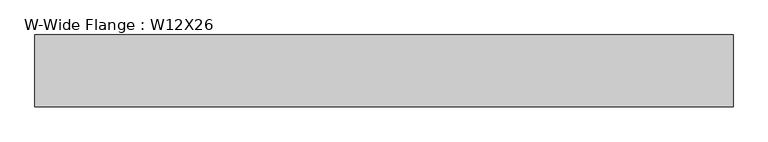
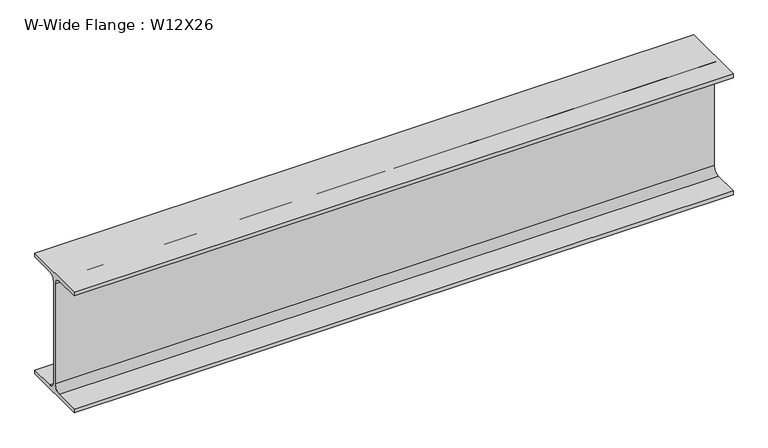
"""IFC4 building model written with IfcOpenShell, lengths in millimetres: beam geometry, W-Wide Flange : W12X26."""

from ifc_helpers import new_model, si_unit, point, frame, frame_2d, origin, place, context, project, spatial, polyline, circle_curve, trimmed, segment, composite_curve, outline, extrude, source, transform, mapped, element, save


def w_wide_flange_w12x26_33b0e225(model_context):
    return source(origin(), model_context, "Body", "SweptSolid", [
        extrude(outline(composite_curve([segment(polyline([(82.4011719, -145.5539063), (82.4011719, -155.178125), (-82.4011719, -155.178125), (-82.4011719, -145.5539063), (-20.2902344, -145.5539063)]), True, "CONTINUOUS"), segment(trimmed(circle_curve(frame_2d((-20.2902344, -128.190625)), 17.3632812), [point((-20.2902344, -145.5539063))], [point((-2.9269531, -128.190625))], True, "CARTESIAN"), True, "CONTINUOUS"), segment(polyline([(-2.9269531, -128.190625), (-2.9269531, 128.190625)]), True, "CONTINUOUS"), segment(trimmed(circle_curve(frame_2d((-20.2902344, 128.190625)), 17.3632812), [point((-2.9269531, 128.190625))], [point((-20.2902344, 145.5539062))], True, "CARTESIAN"), True, "CONTINUOUS"), segment(polyline([(-20.2902344, 145.5539062), (-82.4011719, 145.5539062), (-82.4011719, 155.178125), (82.4011719, 155.178125), (82.4011719, 145.5539062), (20.2902344, 145.5539062)]), True, "CONTINUOUS"), segment(trimmed(circle_curve(frame_2d((20.2902344, 128.190625)), 17.3632812), [point((20.2902344, 145.5539062))], [point((2.9269531, 128.190625))], True, "CARTESIAN"), True, "CONTINUOUS"), segment(polyline([(2.9269531, 128.190625), (2.9269531, -128.190625)]), True, "CONTINUOUS"), segment(trimmed(circle_curve(frame_2d((20.2902344, -128.190625)), 17.3632812), [point((2.9269531, -128.190625))], [point((20.2902344, -145.5539063))], True, "CARTESIAN"), True, "CONTINUOUS"), segment(polyline([(20.2902344, -145.5539063), (82.4011719, -145.5539063)]), True, "CONTINUOUS")], self_intersect=False)), frame((-1045.765625, 0.0, 0.0), z_axis=(1.0, 0.0, 0.0), x_axis=(0.0, 1.0, 0.0)), (0.0, 0.0, 1.0), 1600.814932),
    ])


if __name__ == "__main__":
    model = new_model("IFC4")
    model_context = context("Model", 3, world=origin())
    ifc_project = project(units=[si_unit("LENGTHUNIT", "METRE", prefix="MILLI")], contexts=[model_context])
    site = spatial("IfcSite", under=ifc_project)
    building = spatial("IfcBuilding", under=site)
    placement = place(None, origin())
    w_wide_flange_w12x26_shape = w_wide_flange_w12x26_33b0e225(model_context)
    element("IfcBeam", 1, ObjectType="W-Wide Flange : W12X26", at=placement, inside=building, context=model_context, shape_type="MappedRepresentation", body=[
        mapped(w_wide_flange_w12x26_shape, transform((0.0, 0.0, 0.0), x_axis=(1.0, 0.0, 0.0), y_axis=(0.0, 1.0, 0.0), z_axis=(0.0, 0.0, 1.0))),
    ])
    save(model, "model.ifc")
